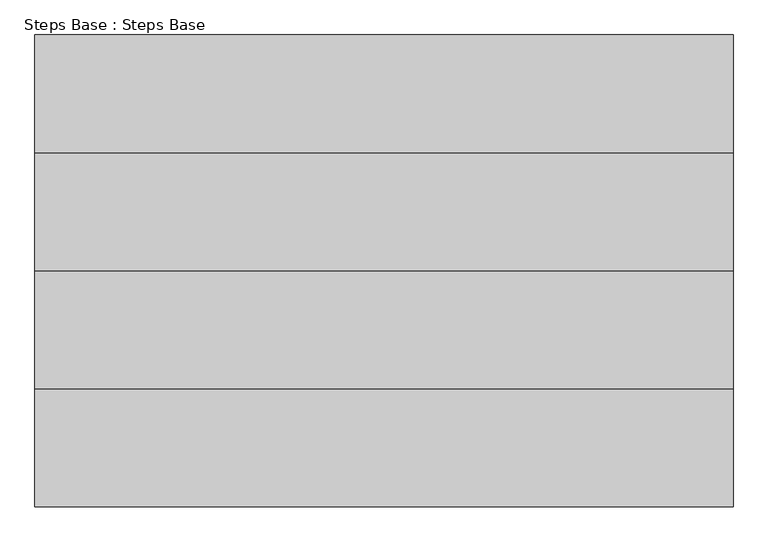
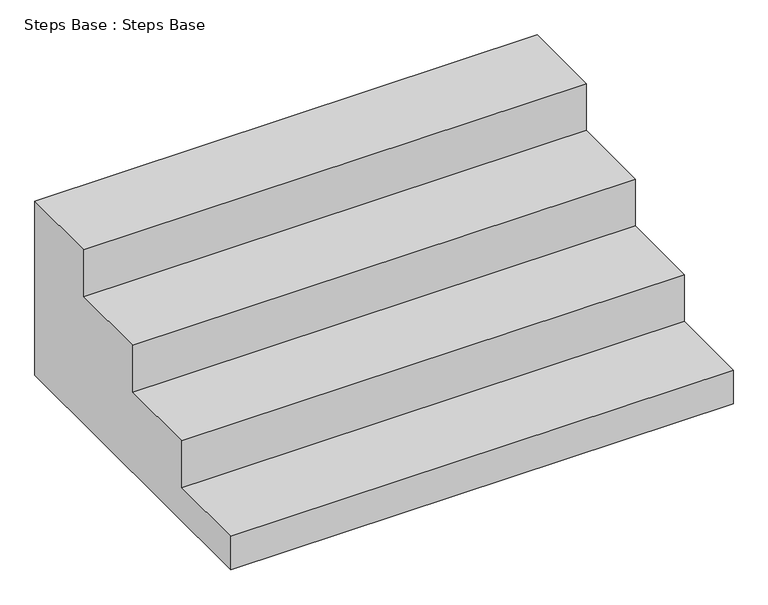
"""IFC4 building model written with IfcOpenShell, lengths in millimetres: stair geometry, Steps Base : Steps Base."""

from ifc_helpers import new_model, si_unit, frame, origin, place, context, project, spatial, polyline, outline, extrude, source, transform, mapped, element, save


def steps_base_steps_base_017aeb64(model_context):
    return source(origin(), model_context, "Body", "SweptSolid", [
        extrude(outline(polyline([(-35192.120405, 0.0), (-35192.120405, 127.0), (-34887.320405, 127.0), (-34887.320405, 304.8), (-34582.520405, 304.8), (-34582.520405, 482.6), (-34277.720405, 482.6), (-34277.720405, 660.4), (-33972.920405, 660.4), (-33972.920405, 0.0), (-35192.120405, 0.0)])), frame((-3702.605314, 0.0, 0.0), z_axis=(1.0, 0.0, 0.0), x_axis=(0.0, 1.0, 0.0)), (0.0, 0.0, 1.0), 1803.4),
    ])


if __name__ == "__main__":
    model = new_model("IFC4")
    model_context = context("Model", 3, world=origin())
    ifc_project = project(units=[si_unit("LENGTHUNIT", "METRE", prefix="MILLI")], contexts=[model_context])
    site = spatial("IfcSite", under=ifc_project)
    building = spatial("IfcBuilding", under=site)
    placement = place(None, origin())
    steps_base_steps_base_shape = steps_base_steps_base_017aeb64(model_context)
    element("IfcStair", 1, ObjectType="Steps Base : Steps Base", at=placement, inside=building, context=model_context, shape_type="MappedRepresentation", body=[
        mapped(steps_base_steps_base_shape, transform((0.0, 0.0, 0.0), x_axis=(1.0, 0.0, 0.0), y_axis=(0.0, 1.0, 0.0), z_axis=(0.0, 0.0, 1.0))),
    ])
    save(model, "model.ifc")
